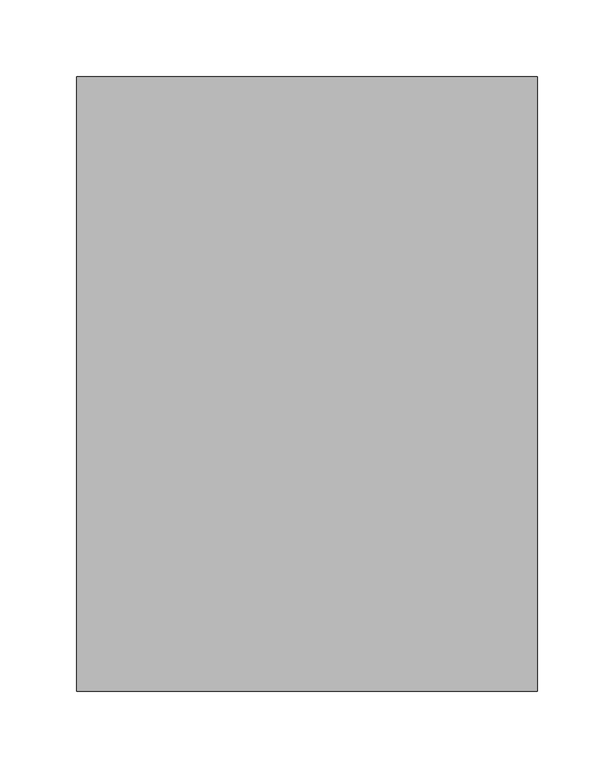
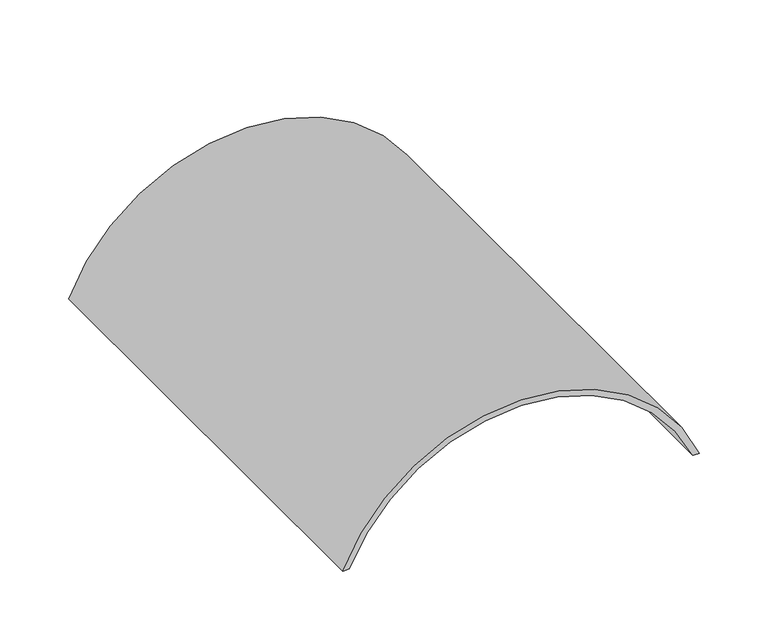
"""IFC4 building model written with IfcOpenShell, lengths in millimetres: light fixture geometry."""

import ifcopenshell
import ifcopenshell.guid

model = None  # the IFC model being written
_history = None  # IfcOwnerHistory: only IFC2X3 demands one
_inside = {}  # id of a spatial element -> (the spatial element, [elements in it])
_under = {}  # id of a project, library or spatial element -> (it, [spatial elements below it])
_declared = {}  # id of a project -> (the project, [libraries it declares])
_typed = {}  # id of a type object -> (the type object, [elements of that type])
_made_of = {}  # id of a material, layer set ... -> (it, [elements and type objects made of it])


def new_model(schema):
    """Start an empty IFC model of exactly this schema.

    Asked for "IFC4X3", IfcOpenShell would pick the latest addendum, in which some entities
    have other attributes; the version numbers below select the first issue.
    IFC2X3 requires an IfcOwnerHistory on every rooted entity: one is made here for all.
    """
    global model, _history
    if schema == "IFC4X3":
        model = ifcopenshell.file(schema_version=(4, 3, 0, 0))
    else:
        model = ifcopenshell.file(schema=schema)
    _inside.clear()
    _under.clear()
    _declared.clear()
    _typed.clear()
    _made_of.clear()
    _history = None
    if model.schema == "IFC2X3":
        org = make("IfcOrganization", Name="unknown")
        user = make(
            "IfcPersonAndOrganization",
            ThePerson=make("IfcPerson", FamilyName="unknown"),
            TheOrganization=org,
        )
        app = make(
            "IfcApplication",
            ApplicationDeveloper=org,
            Version="unknown",
            ApplicationFullName="unknown",
            ApplicationIdentifier="unknown",
        )
        _history = make(
            "IfcOwnerHistory",
            OwningUser=user,
            OwningApplication=app,
            ChangeAction="ADDED",
            CreationDate=0,
        )
    return model


def make(cls, **values):
    """One entity of the class cls with the attributes given. An attribute that is None is left unset."""
    return model.create_entity(
        cls, **{name: value for name, value in values.items() if value is not None}
    )


def rooted(cls, **values):
    """An entity with a GlobalId (a new one), such as an element, a storey or a relation."""
    return make(cls, GlobalId=ifcopenshell.guid.new(), OwnerHistory=_history, **values)


def si_unit(unit_type, name, prefix=None):
    """IfcSIUnit, for example si_unit("LENGTHUNIT", "METRE", prefix="MILLI")."""
    return make("IfcSIUnit", UnitType=unit_type, Prefix=prefix, Name=name)


def assignment(units):
    """IfcUnitAssignment: the units of a project."""
    return None if units is None else make("IfcUnitAssignment", Units=units)


def point(xyz):
    """IfcCartesianPoint."""
    return None if xyz is None else make("IfcCartesianPoint", Coordinates=xyz)


def direction(xyz):
    """IfcDirection."""
    return None if xyz is None else make("IfcDirection", DirectionRatios=xyz)


def frame(location, z_axis=None, x_axis=None):
    """IfcAxis2Placement3D, a coordinate frame: its origin and axes. An axis left out is left unset."""
    return make(
        "IfcAxis2Placement3D",
        Location=point(location),
        Axis=direction(z_axis),
        RefDirection=direction(x_axis),
    )


def frame_2d(location, x_axis=None):
    """IfcAxis2Placement2D, a coordinate frame in the plane: its origin and x axis."""
    return make(
        "IfcAxis2Placement2D", Location=point(location), RefDirection=direction(x_axis)
    )


def origin():
    """The frame at (0, 0, 0) with its axes left unset."""
    return frame((0.0, 0.0, 0.0))


def place(relative_to, where):
    """IfcLocalPlacement: puts the frame where relative to a parent placement (None: the world)."""
    return make(
        "IfcLocalPlacement", PlacementRelTo=relative_to, RelativePlacement=where
    )


def context(
    kind, dimensions, precision=None, world=None, true_north=None, identifier=None
):
    """IfcGeometricRepresentationContext, for example the 3D "Model" context."""
    return make(
        "IfcGeometricRepresentationContext",
        ContextIdentifier=identifier,
        ContextType=kind,
        CoordinateSpaceDimension=dimensions,
        Precision=precision,
        WorldCoordinateSystem=world,
        TrueNorth=true_north,
    )


def project(units=None, contexts=None):
    """IfcProject with its units and contexts."""
    return rooted(
        "IfcProject",
        Name="project",
        RepresentationContexts=contexts,
        UnitsInContext=assignment(units),
    )


def spatial(cls, under=None, at=None, **own):
    """A site, building, storey or space (cls), placed at a placement, below another one or the project."""
    s = rooted(cls, ObjectPlacement=at, **own)
    if under is not None:
        _under.setdefault(under.id(), (under, []))[1].append(s)
    return s


def polyline(points):
    """IfcPolyline through the points."""
    return make("IfcPolyline", Points=[point(p) for p in points])


def circle_curve(where, radius):
    """IfcCircle in the frame where."""
    return make("IfcCircle", Position=where, Radius=radius)


def trimmed(basis, trim1, trim2, sense, master):
    """IfcTrimmedCurve: the piece of a basis curve between two trims."""
    return make(
        "IfcTrimmedCurve",
        BasisCurve=basis,
        Trim1=trim1,
        Trim2=trim2,
        SenseAgreement=sense,
        MasterRepresentation=master,
    )


def segment(curve, same_sense, transition):
    """IfcCompositeCurveSegment."""
    return make(
        "IfcCompositeCurveSegment",
        Transition=transition,
        SameSense=same_sense,
        ParentCurve=curve,
    )


def composite_curve(segments, self_intersect=None):
    """IfcCompositeCurve: segments joined end to end."""
    return make("IfcCompositeCurve", Segments=segments, SelfIntersect=self_intersect)


def outline(outer, holes=None, kind="AREA"):
    """IfcArbitraryClosedProfileDef: a profile drawn as a closed curve; with holes, ...WithVoids."""
    if holes is None:
        return make("IfcArbitraryClosedProfileDef", ProfileType=kind, OuterCurve=outer)
    return make(
        "IfcArbitraryProfileDefWithVoids",
        ProfileType=kind,
        OuterCurve=outer,
        InnerCurves=holes,
    )


def extrude(swept, where, along, depth):
    """IfcExtrudedAreaSolid: the profile swept, set in the frame where, extruded along a direction by depth."""
    return make(
        "IfcExtrudedAreaSolid",
        SweptArea=swept,
        Position=where,
        ExtrudedDirection=direction(along),
        Depth=depth,
    )


def shape(context_of_items, identifier, shape_type, items):
    """IfcShapeRepresentation: the items that make up one representation, for example the "Body"."""
    return make(
        "IfcShapeRepresentation",
        ContextOfItems=context_of_items,
        RepresentationIdentifier=identifier,
        RepresentationType=shape_type,
        Items=items,
    )


def source(mapping_origin, context_of_items, identifier, shape_type, items):
    """IfcRepresentationMap: a shape defined once, which mapped items show again and again."""
    return make(
        "IfcRepresentationMap",
        MappingOrigin=mapping_origin,
        MappedRepresentation=shape(context_of_items, identifier, shape_type, items),
    )


def transform(
    local_origin,
    x_axis=None,
    y_axis=None,
    z_axis=None,
    scale=None,
    scale2=None,
    scale3=None,
    uniform=True,
):
    """IfcCartesianTransformationOperator3D, or its non-uniform kind. x_axis, y_axis, z_axis: its Axis1, 2, 3."""
    if uniform:
        return make(
            "IfcCartesianTransformationOperator3D",
            Axis1=direction(x_axis),
            Axis2=direction(y_axis),
            LocalOrigin=point(local_origin),
            Scale=scale,
            Axis3=direction(z_axis),
        )
    return make(
        "IfcCartesianTransformationOperator3DnonUniform",
        Axis1=direction(x_axis),
        Axis2=direction(y_axis),
        LocalOrigin=point(local_origin),
        Scale=scale,
        Axis3=direction(z_axis),
        Scale2=scale2,
        Scale3=scale3,
    )


def mapped(mapping_source, mapping_target):
    """IfcMappedItem: shows the shape of a source again, moved by a transform."""
    return make(
        "IfcMappedItem", MappingSource=mapping_source, MappingTarget=mapping_target
    )


def made_of(thing, what):
    """Note that an element or type object is made of a material, layer set ...; save() writes the relation."""
    if what is not None:
        _made_of.setdefault(what.id(), (what, []))[1].append(thing)
    return thing


def element(
    cls,
    number,
    at=None,
    inside=None,
    cuts=None,
    type_object=None,
    material=None,
    context=None,
    identifier="Body",
    shape_type=None,
    held_by="IfcProductDefinitionShape",
    body=None,
    shapes=None,
    **own,
):
    """One element of the class cls, such as IfcWall. Its Tag is "e" and its number.

    at: its placement. inside: the storey or other place that contains it. cuts: it is an
    opening in that element (IfcRelVoidsElement). A single representation is given by context,
    identifier, shape_type and body (its items); several are given by shapes. held_by: the class
    of the entity that holds the representations. save() writes the other relations.
    """
    e = rooted(cls, Tag="e%d" % number, ObjectPlacement=at, **own)
    if body is not None:
        shapes = [shape(context, identifier, shape_type, body)]
    if shapes is not None:
        e.Representation = make(held_by, Representations=shapes)
    if inside is not None:
        _inside.setdefault(inside.id(), (inside, []))[1].append(e)
    if cuts is not None:
        rooted(
            "IfcRelVoidsElement", RelatingBuildingElement=cuts, RelatedOpeningElement=e
        )
    if type_object is not None:
        _typed.setdefault(type_object.id(), (type_object, []))[1].append(e)
    return made_of(e, material)


def aggregate(whole, parts):
    """IfcRelAggregates: a whole, such as a stair, and the parts it consists of."""
    return rooted("IfcRelAggregates", RelatingObject=whole, RelatedObjects=parts)


def save(model, path):
    """Write the relations noted so far, then the file.

    IfcRelAggregates (storeys below a building ...), IfcRelContainedInSpatialStructure (elements
    in a storey), IfcRelDefinesByType, IfcRelAssociatesMaterial and IfcRelDeclares: one each for
    every whole, place, type object, material and project.
    """
    for whole, parts in _under.values():
        aggregate(whole, parts)
    for where, things in _inside.values():
        rooted(
            "IfcRelContainedInSpatialStructure",
            RelatedElements=things,
            RelatingStructure=where,
        )
    for kind, things in _typed.values():
        rooted("IfcRelDefinesByType", RelatedObjects=things, RelatingType=kind)
    for what, things in _made_of.values():
        rooted("IfcRelAssociatesMaterial", RelatedObjects=things, RelatingMaterial=what)
    for by, libraries in _declared.values():
        rooted("IfcRelDeclares", RelatingContext=by, RelatedDefinitions=libraries)
    model.write(path)


def light_fixture_f5f416de(model_context):
    return source(origin(), model_context, "Body", "SweptSolid", [
        extrude(outline(composite_curve([segment(trimmed(circle_curve(frame_2d((-62.5, 0.0)), 162.5), [point((0.0, 150.0))], [point((0.0, -150.0))], False, "CARTESIAN"), True, "CONTINUOUS"), segment(polyline([(0.0, -150.0), (0.0, -144.5683229)]), True, "CONTINUOUS"), segment(trimmed(circle_curve(frame_2d((-62.5, 0.0)), 157.5), [point((0.0, -144.5683229))], [point((0.0, 144.5683229))], True, "CARTESIAN"), True, "CONTINUOUS"), segment(polyline([(0.0, 144.5683229), (0.0, 150.0)]), True, "CONTINUOUS")], self_intersect=False)), frame((0.0, 0.0, 0.0), z_axis=(0.0, 1.0, 0.0), x_axis=(0.0, 0.0, 1.0)), (0.0, 0.0, 1.0), 400.0),
    ])


if __name__ == "__main__":
    model = new_model("IFC4")
    model_context = context("Model", 3, world=origin())
    ifc_project = project(units=[si_unit("LENGTHUNIT", "METRE", prefix="MILLI")], contexts=[model_context])
    site = spatial("IfcSite", under=ifc_project)
    building = spatial("IfcBuilding", under=site)
    placement = place(None, origin())
    light_fixture_shape = light_fixture_f5f416de(model_context)
    element("IfcLightFixture", 1, at=placement, inside=building, context=model_context, shape_type="MappedRepresentation", body=[
        mapped(light_fixture_shape, transform((0.0, 0.0, 0.0), x_axis=(1.0, 0.0, 0.0), y_axis=(0.0, 1.0, 0.0), z_axis=(0.0, 0.0, 1.0))),
    ])
    save(model, "model.ifc")
